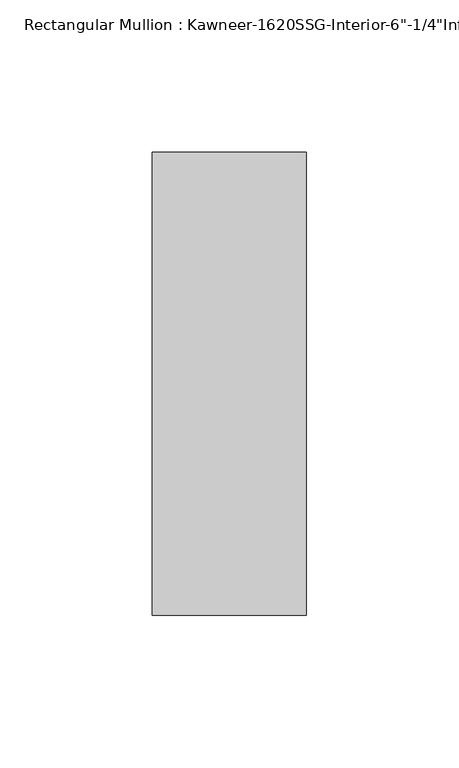
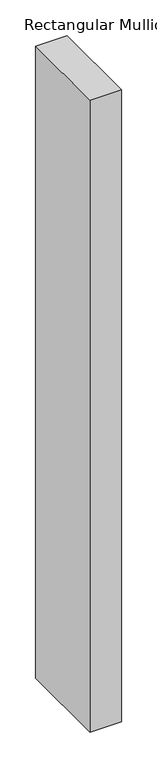
"""IFC4 building model written with IfcOpenShell, lengths in millimetres: member geometry."""

import ifcopenshell
import ifcopenshell.guid

model = None  # the IFC model being written
_history = None  # IfcOwnerHistory: only IFC2X3 demands one
_inside = {}  # id of a spatial element -> (the spatial element, [elements in it])
_under = {}  # id of a project, library or spatial element -> (it, [spatial elements below it])
_declared = {}  # id of a project -> (the project, [libraries it declares])
_typed = {}  # id of a type object -> (the type object, [elements of that type])
_made_of = {}  # id of a material, layer set ... -> (it, [elements and type objects made of it])


def new_model(schema):
    """Start an empty IFC model of exactly this schema.

    Asked for "IFC4X3", IfcOpenShell would pick the latest addendum, in which some entities
    have other attributes; the version numbers below select the first issue.
    IFC2X3 requires an IfcOwnerHistory on every rooted entity: one is made here for all.
    """
    global model, _history
    if schema == "IFC4X3":
        model = ifcopenshell.file(schema_version=(4, 3, 0, 0))
    else:
        model = ifcopenshell.file(schema=schema)
    _inside.clear()
    _under.clear()
    _declared.clear()
    _typed.clear()
    _made_of.clear()
    _history = None
    if model.schema == "IFC2X3":
        org = make("IfcOrganization", Name="unknown")
        user = make(
            "IfcPersonAndOrganization",
            ThePerson=make("IfcPerson", FamilyName="unknown"),
            TheOrganization=org,
        )
        app = make(
            "IfcApplication",
            ApplicationDeveloper=org,
            Version="unknown",
            ApplicationFullName="unknown",
            ApplicationIdentifier="unknown",
        )
        _history = make(
            "IfcOwnerHistory",
            OwningUser=user,
            OwningApplication=app,
            ChangeAction="ADDED",
            CreationDate=0,
        )
    return model


def make(cls, **values):
    """One entity of the class cls with the attributes given. An attribute that is None is left unset."""
    return model.create_entity(
        cls, **{name: value for name, value in values.items() if value is not None}
    )


def rooted(cls, **values):
    """An entity with a GlobalId (a new one), such as an element, a storey or a relation."""
    return make(cls, GlobalId=ifcopenshell.guid.new(), OwnerHistory=_history, **values)


def si_unit(unit_type, name, prefix=None):
    """IfcSIUnit, for example si_unit("LENGTHUNIT", "METRE", prefix="MILLI")."""
    return make("IfcSIUnit", UnitType=unit_type, Prefix=prefix, Name=name)


def assignment(units):
    """IfcUnitAssignment: the units of a project."""
    return None if units is None else make("IfcUnitAssignment", Units=units)


def point(xyz):
    """IfcCartesianPoint."""
    return None if xyz is None else make("IfcCartesianPoint", Coordinates=xyz)


def direction(xyz):
    """IfcDirection."""
    return None if xyz is None else make("IfcDirection", DirectionRatios=xyz)


def frame(location, z_axis=None, x_axis=None):
    """IfcAxis2Placement3D, a coordinate frame: its origin and axes. An axis left out is left unset."""
    return make(
        "IfcAxis2Placement3D",
        Location=point(location),
        Axis=direction(z_axis),
        RefDirection=direction(x_axis),
    )


def origin():
    """The frame at (0, 0, 0) with its axes left unset."""
    return frame((0.0, 0.0, 0.0))


def place(relative_to, where):
    """IfcLocalPlacement: puts the frame where relative to a parent placement (None: the world)."""
    return make(
        "IfcLocalPlacement", PlacementRelTo=relative_to, RelativePlacement=where
    )


def context(
    kind, dimensions, precision=None, world=None, true_north=None, identifier=None
):
    """IfcGeometricRepresentationContext, for example the 3D "Model" context."""
    return make(
        "IfcGeometricRepresentationContext",
        ContextIdentifier=identifier,
        ContextType=kind,
        CoordinateSpaceDimension=dimensions,
        Precision=precision,
        WorldCoordinateSystem=world,
        TrueNorth=true_north,
    )


def project(units=None, contexts=None):
    """IfcProject with its units and contexts."""
    return rooted(
        "IfcProject",
        Name="project",
        RepresentationContexts=contexts,
        UnitsInContext=assignment(units),
    )


def spatial(cls, under=None, at=None, **own):
    """A site, building, storey or space (cls), placed at a placement, below another one or the project."""
    s = rooted(cls, ObjectPlacement=at, **own)
    if under is not None:
        _under.setdefault(under.id(), (under, []))[1].append(s)
    return s


def polyline(points):
    """IfcPolyline through the points."""
    return make("IfcPolyline", Points=[point(p) for p in points])


def outline(outer, holes=None, kind="AREA"):
    """IfcArbitraryClosedProfileDef: a profile drawn as a closed curve; with holes, ...WithVoids."""
    if holes is None:
        return make("IfcArbitraryClosedProfileDef", ProfileType=kind, OuterCurve=outer)
    return make(
        "IfcArbitraryProfileDefWithVoids",
        ProfileType=kind,
        OuterCurve=outer,
        InnerCurves=holes,
    )


def extrude(swept, where, along, depth):
    """IfcExtrudedAreaSolid: the profile swept, set in the frame where, extruded along a direction by depth."""
    return make(
        "IfcExtrudedAreaSolid",
        SweptArea=swept,
        Position=where,
        ExtrudedDirection=direction(along),
        Depth=depth,
    )


def shape(context_of_items, identifier, shape_type, items):
    """IfcShapeRepresentation: the items that make up one representation, for example the "Body"."""
    return make(
        "IfcShapeRepresentation",
        ContextOfItems=context_of_items,
        RepresentationIdentifier=identifier,
        RepresentationType=shape_type,
        Items=items,
    )


def source(mapping_origin, context_of_items, identifier, shape_type, items):
    """IfcRepresentationMap: a shape defined once, which mapped items show again and again."""
    return make(
        "IfcRepresentationMap",
        MappingOrigin=mapping_origin,
        MappedRepresentation=shape(context_of_items, identifier, shape_type, items),
    )


def transform(
    local_origin,
    x_axis=None,
    y_axis=None,
    z_axis=None,
    scale=None,
    scale2=None,
    scale3=None,
    uniform=True,
):
    """IfcCartesianTransformationOperator3D, or its non-uniform kind. x_axis, y_axis, z_axis: its Axis1, 2, 3."""
    if uniform:
        return make(
            "IfcCartesianTransformationOperator3D",
            Axis1=direction(x_axis),
            Axis2=direction(y_axis),
            LocalOrigin=point(local_origin),
            Scale=scale,
            Axis3=direction(z_axis),
        )
    return make(
        "IfcCartesianTransformationOperator3DnonUniform",
        Axis1=direction(x_axis),
        Axis2=direction(y_axis),
        LocalOrigin=point(local_origin),
        Scale=scale,
        Axis3=direction(z_axis),
        Scale2=scale2,
        Scale3=scale3,
    )


def mapped(mapping_source, mapping_target):
    """IfcMappedItem: shows the shape of a source again, moved by a transform."""
    return make(
        "IfcMappedItem", MappingSource=mapping_source, MappingTarget=mapping_target
    )


def made_of(thing, what):
    """Note that an element or type object is made of a material, layer set ...; save() writes the relation."""
    if what is not None:
        _made_of.setdefault(what.id(), (what, []))[1].append(thing)
    return thing


def element(
    cls,
    number,
    at=None,
    inside=None,
    cuts=None,
    type_object=None,
    material=None,
    context=None,
    identifier="Body",
    shape_type=None,
    held_by="IfcProductDefinitionShape",
    body=None,
    shapes=None,
    **own,
):
    """One element of the class cls, such as IfcWall. Its Tag is "e" and its number.

    at: its placement. inside: the storey or other place that contains it. cuts: it is an
    opening in that element (IfcRelVoidsElement). A single representation is given by context,
    identifier, shape_type and body (its items); several are given by shapes. held_by: the class
    of the entity that holds the representations. save() writes the other relations.
    """
    e = rooted(cls, Tag="e%d" % number, ObjectPlacement=at, **own)
    if body is not None:
        shapes = [shape(context, identifier, shape_type, body)]
    if shapes is not None:
        e.Representation = make(held_by, Representations=shapes)
    if inside is not None:
        _inside.setdefault(inside.id(), (inside, []))[1].append(e)
    if cuts is not None:
        rooted(
            "IfcRelVoidsElement", RelatingBuildingElement=cuts, RelatedOpeningElement=e
        )
    if type_object is not None:
        _typed.setdefault(type_object.id(), (type_object, []))[1].append(e)
    return made_of(e, material)


def aggregate(whole, parts):
    """IfcRelAggregates: a whole, such as a stair, and the parts it consists of."""
    return rooted("IfcRelAggregates", RelatingObject=whole, RelatedObjects=parts)


def save(model, path):
    """Write the relations noted so far, then the file.

    IfcRelAggregates (storeys below a building ...), IfcRelContainedInSpatialStructure (elements
    in a storey), IfcRelDefinesByType, IfcRelAssociatesMaterial and IfcRelDeclares: one each for
    every whole, place, type object, material and project.
    """
    for whole, parts in _under.values():
        aggregate(whole, parts)
    for where, things in _inside.values():
        rooted(
            "IfcRelContainedInSpatialStructure",
            RelatedElements=things,
            RelatingStructure=where,
        )
    for kind, things in _typed.values():
        rooted("IfcRelDefinesByType", RelatedObjects=things, RelatingType=kind)
    for what, things in _made_of.values():
        rooted("IfcRelAssociatesMaterial", RelatedObjects=things, RelatingMaterial=what)
    for by, libraries in _declared.values():
        rooted("IfcRelDeclares", RelatingContext=by, RelatedDefinitions=libraries)
    model.write(path)


def member_7b9ddf5f(model_context):
    return source(origin(), model_context, "Body", "SweptSolid", [
        extrude(outline(polyline([(25.4, -123.825), (-25.4, -123.825), (-25.4, 28.575), (25.4, 28.575), (25.4, -123.825)])), frame((0.0, 0.0, -1079.5), z_axis=(0.0, 0.0, 1.0), x_axis=(1.0, 0.0, 0.0)), (0.0, 0.0, 1.0), 1079.5),
    ])


if __name__ == "__main__":
    model = new_model("IFC4")
    model_context = context("Model", 3, world=origin())
    ifc_project = project(units=[si_unit("LENGTHUNIT", "METRE", prefix="MILLI")], contexts=[model_context])
    site = spatial("IfcSite", under=ifc_project)
    building = spatial("IfcBuilding", under=site)
    placement = place(None, origin())
    member_shape = member_7b9ddf5f(model_context)
    element("IfcMember", 1, ObjectType="Rectangular Mullion : Kawneer-1620SSG-Interior-6\"-1/4\"Infill", at=placement, inside=building, context=model_context, shape_type="MappedRepresentation", body=[
        mapped(member_shape, transform((0.0, 0.0, 0.0), x_axis=(1.0, 0.0, 0.0), y_axis=(0.0, 1.0, 0.0), z_axis=(0.0, 0.0, 1.0))),
    ])
    save(model, "model.ifc")
